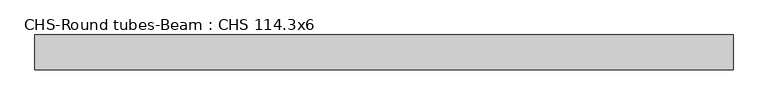
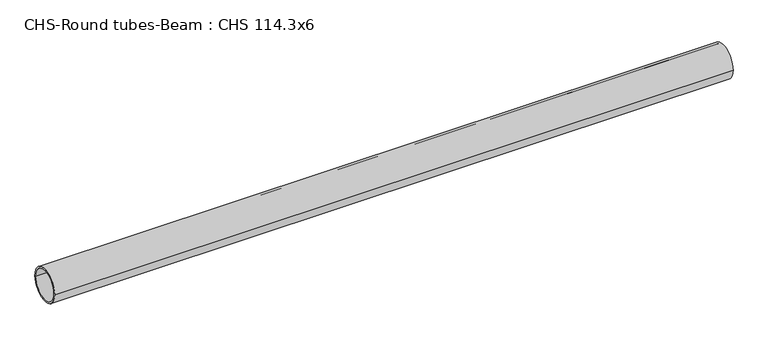
"""IFC4 building model written with IfcOpenShell, lengths in millimetres: beam geometry, CHS-Round tubes-Beam : CHS 114.3x6."""

from ifc_helpers import new_model, si_unit, point, frame, origin, origin_2d, place, context, project, spatial, circle_curve, trimmed, segment, composite_curve, outline, extrude, source, transform, mapped, element, save


def chs_round_tubes_beam_chs_114_3x6_6db9bf36(model_context):
    return source(origin(), model_context, "Body", "SweptSolid", [
        extrude(outline(composite_curve([segment(trimmed(circle_curve(origin_2d(), 57.15), [point((57.15, 0.0))], [point((-57.15, 0.0))], False, "CARTESIAN"), True, "CONTINUOUS"), segment(trimmed(circle_curve(origin_2d(), 57.15), [point((-57.15, 0.0))], [point((57.15, 0.0))], False, "CARTESIAN"), True, "CONTINUOUS")], self_intersect=False), holes=[composite_curve([segment(trimmed(circle_curve(origin_2d(), 51.15), [point((51.15, 0.0))], [point((-51.15, 0.0))], True, "CARTESIAN"), True, "CONTINUOUS"), segment(trimmed(circle_curve(origin_2d(), 51.15), [point((-51.15, 0.0))], [point((51.15, 0.0))], True, "CARTESIAN"), True, "CONTINUOUS")], self_intersect=False)]), frame((-1117.0249554, 0.0, 0.0), z_axis=(1.0, 0.0, 0.0), x_axis=(0.0, 1.0, 0.0)), (0.0, 0.0, 1.0), 2283.6508331),
    ])


if __name__ == "__main__":
    model = new_model("IFC4")
    model_context = context("Model", 3, world=origin())
    ifc_project = project(units=[si_unit("LENGTHUNIT", "METRE", prefix="MILLI")], contexts=[model_context])
    site = spatial("IfcSite", under=ifc_project)
    building = spatial("IfcBuilding", under=site)
    placement = place(None, origin())
    chs_round_tubes_beam_chs_114_3x6_shape = chs_round_tubes_beam_chs_114_3x6_6db9bf36(model_context)
    element("IfcBeam", 1, ObjectType="CHS-Round tubes-Beam : CHS 114.3x6", at=placement, inside=building, context=model_context, shape_type="MappedRepresentation", body=[
        mapped(chs_round_tubes_beam_chs_114_3x6_shape, transform((0.0, 0.0, 0.0), x_axis=(1.0, 0.0, 0.0), y_axis=(0.0, 1.0, 0.0), z_axis=(0.0, 0.0, 1.0))),
    ])
    save(model, "model.ifc")
